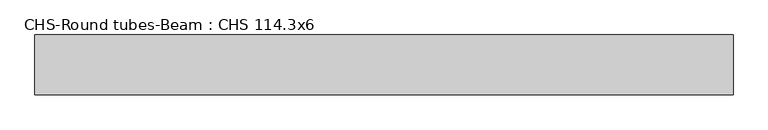
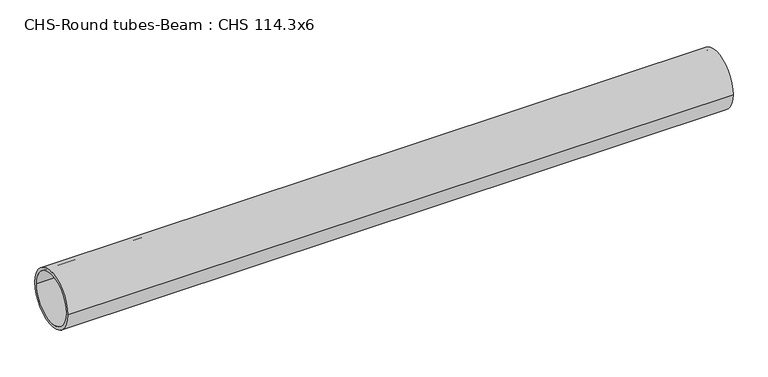
"""IFC4 building model written with IfcOpenShell, lengths in millimetres: beam geometry, CHS-Round tubes-Beam : CHS 114.3x6."""

import ifcopenshell
import ifcopenshell.guid

model = None  # the IFC model being written
_history = None  # IfcOwnerHistory: only IFC2X3 demands one
_inside = {}  # id of a spatial element -> (the spatial element, [elements in it])
_under = {}  # id of a project, library or spatial element -> (it, [spatial elements below it])
_declared = {}  # id of a project -> (the project, [libraries it declares])
_typed = {}  # id of a type object -> (the type object, [elements of that type])
_made_of = {}  # id of a material, layer set ... -> (it, [elements and type objects made of it])


def new_model(schema):
    """Start an empty IFC model of exactly this schema.

    Asked for "IFC4X3", IfcOpenShell would pick the latest addendum, in which some entities
    have other attributes; the version numbers below select the first issue.
    IFC2X3 requires an IfcOwnerHistory on every rooted entity: one is made here for all.
    """
    global model, _history
    if schema == "IFC4X3":
        model = ifcopenshell.file(schema_version=(4, 3, 0, 0))
    else:
        model = ifcopenshell.file(schema=schema)
    _inside.clear()
    _under.clear()
    _declared.clear()
    _typed.clear()
    _made_of.clear()
    _history = None
    if model.schema == "IFC2X3":
        org = make("IfcOrganization", Name="unknown")
        user = make(
            "IfcPersonAndOrganization",
            ThePerson=make("IfcPerson", FamilyName="unknown"),
            TheOrganization=org,
        )
        app = make(
            "IfcApplication",
            ApplicationDeveloper=org,
            Version="unknown",
            ApplicationFullName="unknown",
            ApplicationIdentifier="unknown",
        )
        _history = make(
            "IfcOwnerHistory",
            OwningUser=user,
            OwningApplication=app,
            ChangeAction="ADDED",
            CreationDate=0,
        )
    return model


def make(cls, **values):
    """One entity of the class cls with the attributes given. An attribute that is None is left unset."""
    return model.create_entity(
        cls, **{name: value for name, value in values.items() if value is not None}
    )


def rooted(cls, **values):
    """An entity with a GlobalId (a new one), such as an element, a storey or a relation."""
    return make(cls, GlobalId=ifcopenshell.guid.new(), OwnerHistory=_history, **values)


def si_unit(unit_type, name, prefix=None):
    """IfcSIUnit, for example si_unit("LENGTHUNIT", "METRE", prefix="MILLI")."""
    return make("IfcSIUnit", UnitType=unit_type, Prefix=prefix, Name=name)


def assignment(units):
    """IfcUnitAssignment: the units of a project."""
    return None if units is None else make("IfcUnitAssignment", Units=units)


def point(xyz):
    """IfcCartesianPoint."""
    return None if xyz is None else make("IfcCartesianPoint", Coordinates=xyz)


def direction(xyz):
    """IfcDirection."""
    return None if xyz is None else make("IfcDirection", DirectionRatios=xyz)


def frame(location, z_axis=None, x_axis=None):
    """IfcAxis2Placement3D, a coordinate frame: its origin and axes. An axis left out is left unset."""
    return make(
        "IfcAxis2Placement3D",
        Location=point(location),
        Axis=direction(z_axis),
        RefDirection=direction(x_axis),
    )


def frame_2d(location, x_axis=None):
    """IfcAxis2Placement2D, a coordinate frame in the plane: its origin and x axis."""
    return make(
        "IfcAxis2Placement2D", Location=point(location), RefDirection=direction(x_axis)
    )


def origin():
    """The frame at (0, 0, 0) with its axes left unset."""
    return frame((0.0, 0.0, 0.0))


def origin_2d():
    """The frame at (0, 0) in the plane with its x axis left unset."""
    return frame_2d((0.0, 0.0))


def place(relative_to, where):
    """IfcLocalPlacement: puts the frame where relative to a parent placement (None: the world)."""
    return make(
        "IfcLocalPlacement", PlacementRelTo=relative_to, RelativePlacement=where
    )


def context(
    kind, dimensions, precision=None, world=None, true_north=None, identifier=None
):
    """IfcGeometricRepresentationContext, for example the 3D "Model" context."""
    return make(
        "IfcGeometricRepresentationContext",
        ContextIdentifier=identifier,
        ContextType=kind,
        CoordinateSpaceDimension=dimensions,
        Precision=precision,
        WorldCoordinateSystem=world,
        TrueNorth=true_north,
    )


def project(units=None, contexts=None):
    """IfcProject with its units and contexts."""
    return rooted(
        "IfcProject",
        Name="project",
        RepresentationContexts=contexts,
        UnitsInContext=assignment(units),
    )


def spatial(cls, under=None, at=None, **own):
    """A site, building, storey or space (cls), placed at a placement, below another one or the project."""
    s = rooted(cls, ObjectPlacement=at, **own)
    if under is not None:
        _under.setdefault(under.id(), (under, []))[1].append(s)
    return s


def circle_curve(where, radius):
    """IfcCircle in the frame where."""
    return make("IfcCircle", Position=where, Radius=radius)


def trimmed(basis, trim1, trim2, sense, master):
    """IfcTrimmedCurve: the piece of a basis curve between two trims."""
    return make(
        "IfcTrimmedCurve",
        BasisCurve=basis,
        Trim1=trim1,
        Trim2=trim2,
        SenseAgreement=sense,
        MasterRepresentation=master,
    )


def segment(curve, same_sense, transition):
    """IfcCompositeCurveSegment."""
    return make(
        "IfcCompositeCurveSegment",
        Transition=transition,
        SameSense=same_sense,
        ParentCurve=curve,
    )


def composite_curve(segments, self_intersect=None):
    """IfcCompositeCurve: segments joined end to end."""
    return make("IfcCompositeCurve", Segments=segments, SelfIntersect=self_intersect)


def outline(outer, holes=None, kind="AREA"):
    """IfcArbitraryClosedProfileDef: a profile drawn as a closed curve; with holes, ...WithVoids."""
    if holes is None:
        return make("IfcArbitraryClosedProfileDef", ProfileType=kind, OuterCurve=outer)
    return make(
        "IfcArbitraryProfileDefWithVoids",
        ProfileType=kind,
        OuterCurve=outer,
        InnerCurves=holes,
    )


def extrude(swept, where, along, depth):
    """IfcExtrudedAreaSolid: the profile swept, set in the frame where, extruded along a direction by depth."""
    return make(
        "IfcExtrudedAreaSolid",
        SweptArea=swept,
        Position=where,
        ExtrudedDirection=direction(along),
        Depth=depth,
    )


def shape(context_of_items, identifier, shape_type, items):
    """IfcShapeRepresentation: the items that make up one representation, for example the "Body"."""
    return make(
        "IfcShapeRepresentation",
        ContextOfItems=context_of_items,
        RepresentationIdentifier=identifier,
        RepresentationType=shape_type,
        Items=items,
    )


def source(mapping_origin, context_of_items, identifier, shape_type, items):
    """IfcRepresentationMap: a shape defined once, which mapped items show again and again."""
    return make(
        "IfcRepresentationMap",
        MappingOrigin=mapping_origin,
        MappedRepresentation=shape(context_of_items, identifier, shape_type, items),
    )


def transform(
    local_origin,
    x_axis=None,
    y_axis=None,
    z_axis=None,
    scale=None,
    scale2=None,
    scale3=None,
    uniform=True,
):
    """IfcCartesianTransformationOperator3D, or its non-uniform kind. x_axis, y_axis, z_axis: its Axis1, 2, 3."""
    if uniform:
        return make(
            "IfcCartesianTransformationOperator3D",
            Axis1=direction(x_axis),
            Axis2=direction(y_axis),
            LocalOrigin=point(local_origin),
            Scale=scale,
            Axis3=direction(z_axis),
        )
    return make(
        "IfcCartesianTransformationOperator3DnonUniform",
        Axis1=direction(x_axis),
        Axis2=direction(y_axis),
        LocalOrigin=point(local_origin),
        Scale=scale,
        Axis3=direction(z_axis),
        Scale2=scale2,
        Scale3=scale3,
    )


def mapped(mapping_source, mapping_target):
    """IfcMappedItem: shows the shape of a source again, moved by a transform."""
    return make(
        "IfcMappedItem", MappingSource=mapping_source, MappingTarget=mapping_target
    )


def made_of(thing, what):
    """Note that an element or type object is made of a material, layer set ...; save() writes the relation."""
    if what is not None:
        _made_of.setdefault(what.id(), (what, []))[1].append(thing)
    return thing


def element(
    cls,
    number,
    at=None,
    inside=None,
    cuts=None,
    type_object=None,
    material=None,
    context=None,
    identifier="Body",
    shape_type=None,
    held_by="IfcProductDefinitionShape",
    body=None,
    shapes=None,
    **own,
):
    """One element of the class cls, such as IfcWall. Its Tag is "e" and its number.

    at: its placement. inside: the storey or other place that contains it. cuts: it is an
    opening in that element (IfcRelVoidsElement). A single representation is given by context,
    identifier, shape_type and body (its items); several are given by shapes. held_by: the class
    of the entity that holds the representations. save() writes the other relations.
    """
    e = rooted(cls, Tag="e%d" % number, ObjectPlacement=at, **own)
    if body is not None:
        shapes = [shape(context, identifier, shape_type, body)]
    if shapes is not None:
        e.Representation = make(held_by, Representations=shapes)
    if inside is not None:
        _inside.setdefault(inside.id(), (inside, []))[1].append(e)
    if cuts is not None:
        rooted(
            "IfcRelVoidsElement", RelatingBuildingElement=cuts, RelatedOpeningElement=e
        )
    if type_object is not None:
        _typed.setdefault(type_object.id(), (type_object, []))[1].append(e)
    return made_of(e, material)


def aggregate(whole, parts):
    """IfcRelAggregates: a whole, such as a stair, and the parts it consists of."""
    return rooted("IfcRelAggregates", RelatingObject=whole, RelatedObjects=parts)


def save(model, path):
    """Write the relations noted so far, then the file.

    IfcRelAggregates (storeys below a building ...), IfcRelContainedInSpatialStructure (elements
    in a storey), IfcRelDefinesByType, IfcRelAssociatesMaterial and IfcRelDeclares: one each for
    every whole, place, type object, material and project.
    """
    for whole, parts in _under.values():
        aggregate(whole, parts)
    for where, things in _inside.values():
        rooted(
            "IfcRelContainedInSpatialStructure",
            RelatedElements=things,
            RelatingStructure=where,
        )
    for kind, things in _typed.values():
        rooted("IfcRelDefinesByType", RelatedObjects=things, RelatingType=kind)
    for what, things in _made_of.values():
        rooted("IfcRelAssociatesMaterial", RelatedObjects=things, RelatingMaterial=what)
    for by, libraries in _declared.values():
        rooted("IfcRelDeclares", RelatingContext=by, RelatedDefinitions=libraries)
    model.write(path)


def chs_round_tubes_beam_chs_114_3x6_cb5adf56(model_context):
    return source(origin(), model_context, "Body", "SweptSolid", [
        extrude(outline(composite_curve([segment(trimmed(circle_curve(origin_2d(), 57.15), [point((57.15, 0.0))], [point((-57.15, 0.0))], False, "CARTESIAN"), True, "CONTINUOUS"), segment(trimmed(circle_curve(origin_2d(), 57.15), [point((-57.15, 0.0))], [point((57.15, 0.0))], False, "CARTESIAN"), True, "CONTINUOUS")], self_intersect=False), holes=[composite_curve([segment(trimmed(circle_curve(origin_2d(), 51.15), [point((51.15, 0.0))], [point((-51.15, 0.0))], True, "CARTESIAN"), True, "CONTINUOUS"), segment(trimmed(circle_curve(origin_2d(), 51.15), [point((-51.15, 0.0))], [point((51.15, 0.0))], True, "CARTESIAN"), True, "CONTINUOUS")], self_intersect=False)]), frame((-705.59719, 0.0, 0.0), z_axis=(1.0, 0.0, 0.0), x_axis=(0.0, 1.0, 0.0)), (0.0, 0.0, 1.0), 1333.1845144),
    ])


if __name__ == "__main__":
    model = new_model("IFC4")
    model_context = context("Model", 3, world=origin())
    ifc_project = project(units=[si_unit("LENGTHUNIT", "METRE", prefix="MILLI")], contexts=[model_context])
    site = spatial("IfcSite", under=ifc_project)
    building = spatial("IfcBuilding", under=site)
    placement = place(None, origin())
    chs_round_tubes_beam_chs_114_3x6_shape = chs_round_tubes_beam_chs_114_3x6_cb5adf56(model_context)
    element("IfcBeam", 1, ObjectType="CHS-Round tubes-Beam : CHS 114.3x6", at=placement, inside=building, context=model_context, shape_type="MappedRepresentation", body=[
        mapped(chs_round_tubes_beam_chs_114_3x6_shape, transform((0.0, 0.0, 0.0), x_axis=(1.0, 0.0, 0.0), y_axis=(0.0, 1.0, 0.0), z_axis=(0.0, 0.0, 1.0))),
    ])
    save(model, "model.ifc")
